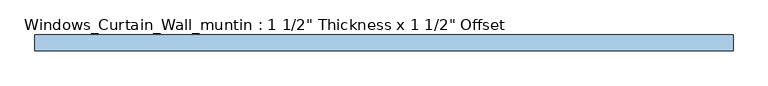
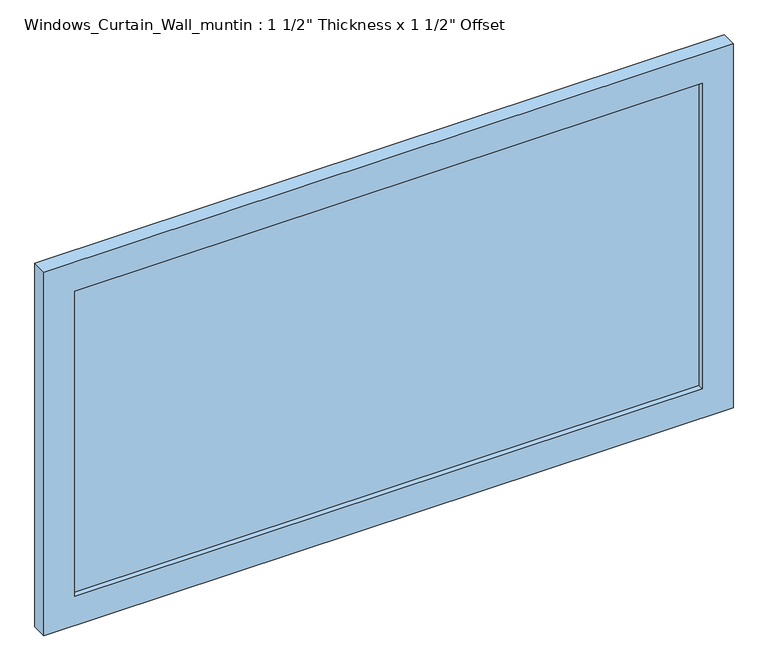
"""IFC4 building model written with IfcOpenShell, lengths in millimetres: window geometry."""

from ifc_helpers import new_model, si_unit, frame, origin, place, context, project, spatial, polyline, outline, extrude, source, transform, mapped, element, save


def window_79bf1c06(model_context):
    return source(origin(), model_context, "Body", "SweptSolid", [
        extrude(outline(polyline([(946.15, -847.725), (0.0, -847.725), (0.0, 847.725), (946.15, 847.725), (946.15, -847.725)]), holes=[polyline([(869.95, -771.525), (869.95, 771.525), (76.2, 771.525), (76.2, -771.525), (869.95, -771.525)])]), frame((0.0, 0.0, 0.0), z_axis=(0.0, 1.0, 0.0), x_axis=(0.0, 0.0, 1.0)), (0.0, 0.0, 1.0), 38.1),
        extrude(outline(polyline([(771.525, 13.05), (-771.525, 13.05), (-771.525, 25.05), (771.525, 25.05), (771.525, 13.05)])), frame((0.0, 0.0, 76.2), z_axis=(0.0, 0.0, 1.0), x_axis=(1.0, 0.0, 0.0)), (0.0, 0.0, 1.0), 793.75),
    ])


if __name__ == "__main__":
    model = new_model("IFC4")
    model_context = context("Model", 3, world=origin())
    ifc_project = project(units=[si_unit("LENGTHUNIT", "METRE", prefix="MILLI")], contexts=[model_context])
    site = spatial("IfcSite", under=ifc_project)
    building = spatial("IfcBuilding", under=site)
    placement = place(None, origin())
    window_shape = window_79bf1c06(model_context)
    element("IfcWindow", 1, ObjectType="Windows_Curtain_Wall_muntin : 1 1/2\" Thickness x 1 1/2\" Offset", at=placement, inside=building, context=model_context, shape_type="MappedRepresentation", body=[
        mapped(window_shape, transform((0.0, 0.0, 0.0), x_axis=(1.0, 0.0, 0.0), y_axis=(0.0, 1.0, 0.0), z_axis=(0.0, 0.0, 1.0))),
    ])
    save(model, "model.ifc")
